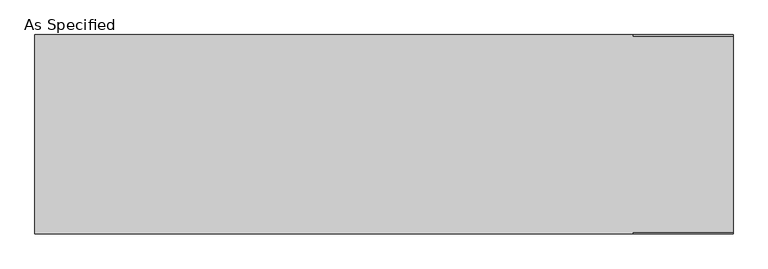
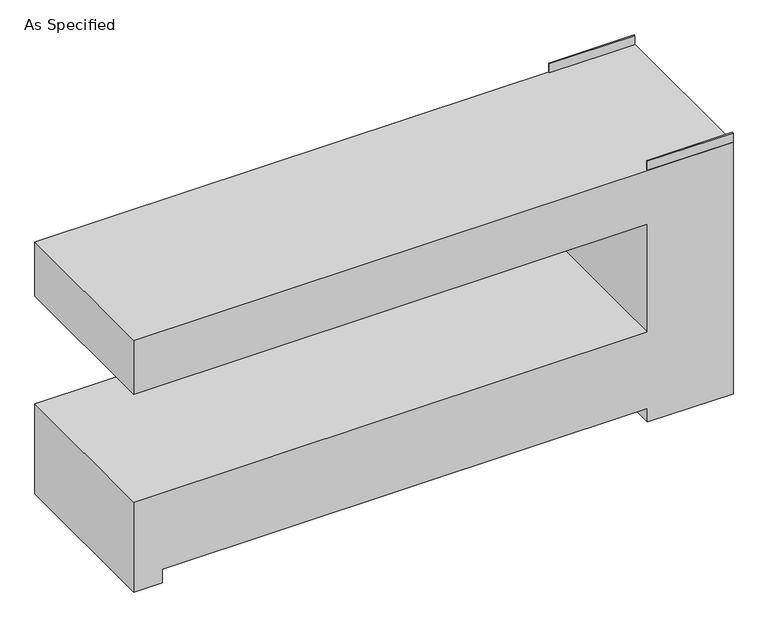
"""IFC4 building model written with IfcOpenShell, lengths in millimetres: proxy geometry, As Specified."""

from ifc_helpers import new_model, si_unit, frame, origin, place, context, project, spatial, polyline, outline, extrude, source, transform, mapped, element, save


def as_specified_7b5ce129(model_context):
    return source(origin(), model_context, "Body", "SweptSolid", [
        extrude(outline(polyline([(1143.0, 450.85), (1143.0, 457.2), (1600.2, 457.2), (1600.2, 450.85), (1143.0, 450.85)])), frame((0.0, 0.0, 1422.4), z_axis=(0.0, 0.0, 1.0), x_axis=(1.0, 0.0, 0.0)), (0.0, 0.0, 1.0), 50.8),
        extrude(outline(polyline([(1143.0, -457.2), (1143.0, -450.85), (1600.2, -450.85), (1600.2, -457.2), (1143.0, -457.2)])), frame((0.0, 0.0, 1422.4), z_axis=(0.0, 0.0, 1.0), x_axis=(1.0, 0.0, 0.0)), (0.0, 0.0, 1.0), 50.8),
        extrude(outline(polyline([(1422.4, 1600.2), (1422.4, -1600.2), (1117.6, -1600.2), (1117.6, 1143.0), (508.0, 1143.0), (508.0, -1600.2), (0.0, -1600.2), (0.0, -1447.8), (76.2, -1447.8), (76.2, 1143.0), (0.0, 1143.0), (0.0, 1600.2), (1422.4, 1600.2)])), frame((0.0, -457.2, 0.0), z_axis=(0.0, 1.0, 0.0), x_axis=(0.0, 0.0, 1.0)), (0.0, 0.0, 1.0), 914.4),
    ])


if __name__ == "__main__":
    model = new_model("IFC4")
    model_context = context("Model", 3, world=origin())
    ifc_project = project(units=[si_unit("LENGTHUNIT", "METRE", prefix="MILLI")], contexts=[model_context])
    site = spatial("IfcSite", under=ifc_project)
    building = spatial("IfcBuilding", under=site)
    placement = place(None, origin())
    as_specified_shape = as_specified_7b5ce129(model_context)
    element("IfcBuildingElementProxy", 1, Name="As Specified", ObjectType="As Specified", at=placement, inside=building, context=model_context, shape_type="MappedRepresentation", body=[
        mapped(as_specified_shape, transform((0.0, 0.0, 0.0), x_axis=(1.0, 0.0, 0.0), y_axis=(0.0, 1.0, 0.0), z_axis=(0.0, 0.0, 1.0))),
    ])
    save(model, "model.ifc")
